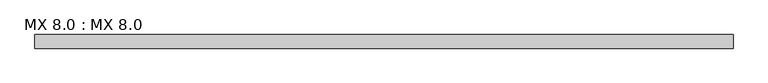
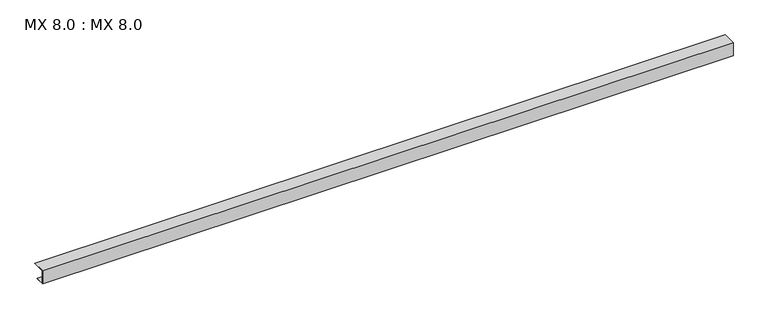
"""IFC4 building model written with IfcOpenShell, lengths in millimetres: proxy geometry, MX 8.0 : MX 8.0."""

from ifc_helpers import new_model, si_unit, frame, origin, place, context, project, spatial, polyline, outline, extrude, source, transform, mapped, element, save


def mx_8_0_mx_8_0_f20205a5(model_context):
    return source(origin(), model_context, "Body", "SweptSolid", [
        extrude(outline(polyline([(0.0, 0.0), (0.0, 38.0), (37.102485, 38.0), (37.102485, 37.0), (1.0, 37.0), (1.0, 1.0), (25.0, 1.0), (25.0, 0.0), (0.0, 0.0)])), frame((0.0, 0.0, 0.0), z_axis=(1.0, 0.0, 0.0), x_axis=(0.0, 1.0, 0.0)), (0.0, 0.0, 1.0), 1900.0),
    ])


if __name__ == "__main__":
    model = new_model("IFC4")
    model_context = context("Model", 3, world=origin())
    ifc_project = project(units=[si_unit("LENGTHUNIT", "METRE", prefix="MILLI")], contexts=[model_context])
    site = spatial("IfcSite", under=ifc_project)
    building = spatial("IfcBuilding", under=site)
    placement = place(None, origin())
    mx_8_0_mx_8_0_shape = mx_8_0_mx_8_0_f20205a5(model_context)
    element("IfcBuildingElementProxy", 1, Name="MX 8.0 : MX 8.0", ObjectType="MX 8.0 : MX 8.0", at=placement, inside=building, context=model_context, shape_type="MappedRepresentation", body=[
        mapped(mx_8_0_mx_8_0_shape, transform((0.0, 0.0, 0.0), x_axis=(1.0, 0.0, 0.0), y_axis=(0.0, 1.0, 0.0), z_axis=(0.0, 0.0, 1.0))),
    ])
    save(model, "model.ifc")
